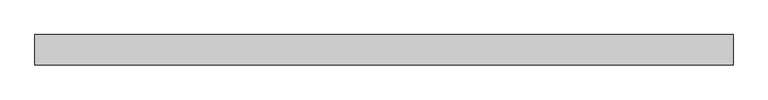
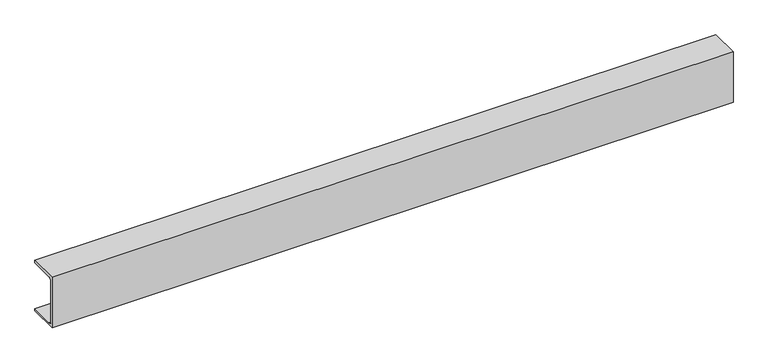
"""IFC4 building model written with IfcOpenShell, lengths in millimetres: beam geometry."""

from ifc_helpers import new_model, si_unit, point, frame, frame_2d, origin, place, context, project, spatial, polyline, circle_curve, trimmed, segment, composite_curve, outline, extrude, source, transform, mapped, element, save


def beam_38ffa508(model_context):
    return source(origin(), model_context, "Body", "SweptSolid", [
        extrude(outline(composite_curve([segment(polyline([(-25.2, 90.0), (74.8, 90.0), (74.8, 82.0), (-6.7, 82.0)]), True, "CONTINUOUS"), segment(trimmed(circle_curve(frame_2d((-6.7, 71.5)), 10.5), [point((-6.7, 82.0))], [point((-17.2, 71.5))], True, "CARTESIAN"), True, "CONTINUOUS"), segment(polyline([(-17.2, 71.5), (-17.2, -71.5)]), True, "CONTINUOUS"), segment(trimmed(circle_curve(frame_2d((-6.7, -71.5)), 10.5), [point((-17.2, -71.5))], [point((-6.7, -82.0))], True, "CARTESIAN"), True, "CONTINUOUS"), segment(polyline([(-6.7, -82.0), (74.8, -82.0), (74.8, -90.0), (-25.2, -90.0), (-25.2, 90.0)]), True, "CONTINUOUS")], self_intersect=False)), frame((-1148.5, 0.0, 0.0), z_axis=(1.0, 0.0, 0.0), x_axis=(0.0, 1.0, 0.0)), (0.0, 0.0, 1.0), 2297.0),
    ])


if __name__ == "__main__":
    model = new_model("IFC4")
    model_context = context("Model", 3, world=origin())
    ifc_project = project(units=[si_unit("LENGTHUNIT", "METRE", prefix="MILLI")], contexts=[model_context])
    site = spatial("IfcSite", under=ifc_project)
    building = spatial("IfcBuilding", under=site)
    placement = place(None, origin())
    beam_shape = beam_38ffa508(model_context)
    element("IfcBeam", 1, at=placement, inside=building, context=model_context, shape_type="MappedRepresentation", body=[
        mapped(beam_shape, transform((0.0, 0.0, 0.0), x_axis=(1.0, 0.0, 0.0), y_axis=(0.0, 1.0, 0.0), z_axis=(0.0, 0.0, 1.0))),
    ])
    save(model, "model.ifc")
